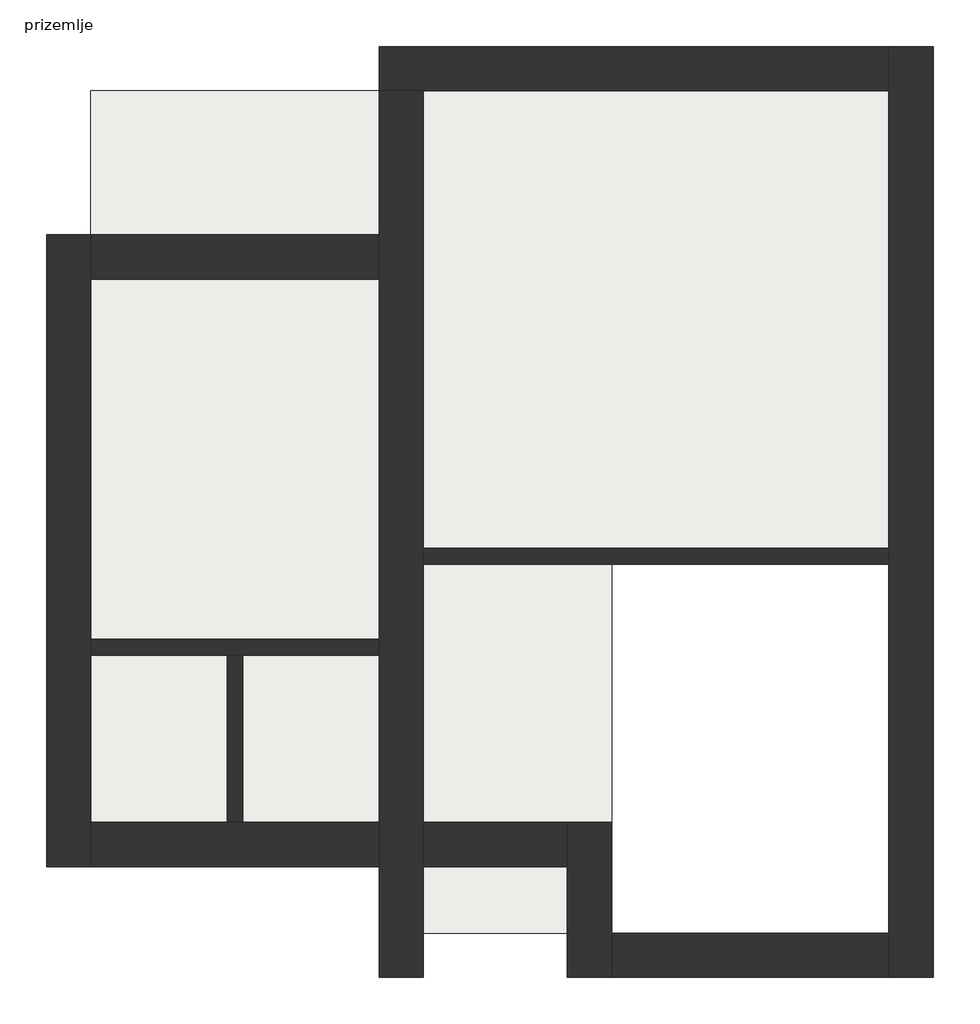
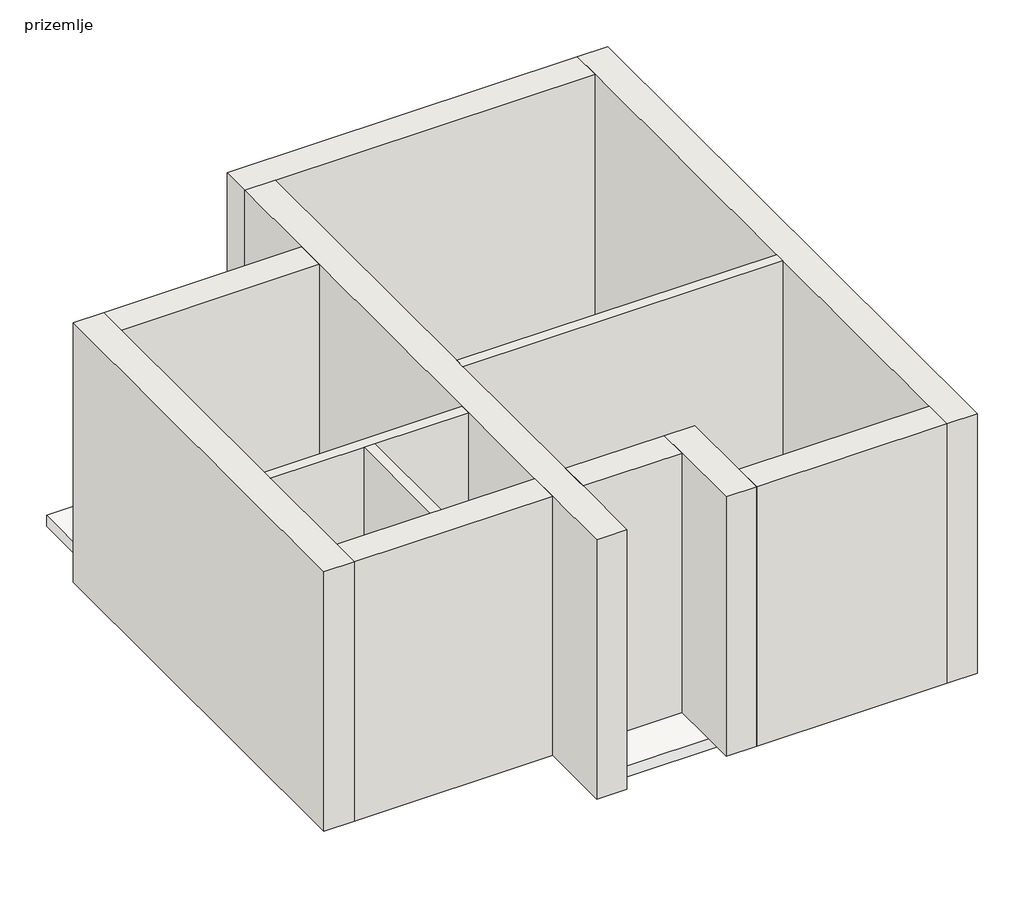
# One storey: 12 walls, 1 slab.
"""IFC4 building model written with IfcOpenShell, lengths in millimetres."""

from ifc_helpers import new_model, si_unit, frame, origin, origin_with_axes, place, context, project, spatial, polyline, outline, extrude, faceted_brep, element, save

model = new_model("IFC4")

# Units and contexts
model_context = context("Model", 3, world=origin())
ifc_project = project(units=[si_unit("LENGTHUNIT", "METRE", prefix="MILLI")], contexts=[model_context])

# Site, building, storey
site = spatial("IfcSite", under=ifc_project)
building = spatial("IfcBuilding", under=site)
storey = spatial("IfcBuildingStorey", under=building, Name="prizemlje", Elevation=0.0)

# Slab
placement = place(None, origin())
element("IfcSlab", 1, ObjectType="Concrete Slab - 6\"", at=placement, inside=storey, context=model_context, shape_type="SweptSolid", body=[
    extrude(outline(polyline([(9429.49375, 8078.8148516), (14029.49375, 8078.8148516), (14029.49375, 3878.8148516), (11529.49375, 3878.8148516), (11529.49375, 478.8148516), (9829.49375, 478.8148516), (9829.49375, 1478.8148516), (6829.49375, 1478.8148516), (6829.49375, 8078.8148516), (9429.49375, 8078.8148516)])), frame((0.0, 0.0, -152.4), z_axis=(0.0, 0.0, 1.0), x_axis=(1.0, 0.0, 0.0)), (0.0, 0.0, 1.0), 152.4),
])

# Walls
element("IfcWall", 2, at=placement, inside=storey, context=model_context, shape_type="Brep", body=[
    faceted_brep([(6429.49375, 6778.8148516, 0.0), (6429.49375, 1078.8148516, 0.0), (6429.49375, 1078.8148516, 3600.0), (6429.49375, 6778.8148516, 3600.0), (6829.49375, 6778.8148516, 0.0), (6829.49375, 6778.8148516, 3600.0), (6829.49375, 6378.8148516, 3600.0), (6829.49375, 3130.2523516, 3600.0), (6829.49375, 2987.3773516, 3600.0), (6829.49375, 1478.8148516, 3600.0), (6829.49375, 1078.8148516, 3600.0), (6829.49375, 1078.8148516, 0.0), (6829.49375, 1478.8148516, 0.0), (6829.49375, 2987.3773516, 0.0), (6829.49375, 3130.2523516, 0.0), (6829.49375, 6378.8148516, 0.0)], [[[0, 1, 2, 3]], [[4, 5, 6, 7, 8, 9, 10, 11, 12, 13, 14, 15]], [[1, 0, 4, 15, 14, 13, 12, 11]], [[3, 2, 10, 9, 8, 7, 6, 5]], [[2, 1, 11, 10]], [[0, 3, 5, 4]]]),
])
element("IfcWall", 3, at=placement, inside=storey, context=model_context, shape_type="Brep", body=[
    faceted_brep([(6829.49375, 1078.8148516, 0.0), (9429.49375, 1078.8148516, 0.0), (9429.49375, 1078.8148516, 3600.0), (6829.49375, 1078.8148516, 3600.0), (6829.49375, 1478.8148516, 0.0), (6829.49375, 1478.8148516, 3600.0), (8058.05625, 1478.8148516, 3600.0), (8200.93125, 1478.8148516, 3600.0), (9429.49375, 1478.8148516, 3600.0), (9429.49375, 1478.8148516, 0.0), (8200.93125, 1478.8148516, 0.0), (8058.05625, 1478.8148516, 0.0)], [[[0, 1, 2, 3]], [[4, 5, 6, 7, 8, 9, 10, 11]], [[1, 0, 4, 11, 10, 9]], [[3, 2, 8, 7, 6, 5]], [[0, 3, 5, 4]], [[2, 1, 9, 8]]]),
])
element("IfcWall", 4, at=placement, inside=storey, context=model_context, shape_type="Brep", body=[
    faceted_brep([(9429.49375, 8078.8148516, 0.0), (9429.49375, 6778.8148516, 0.0), (9429.49375, 6378.8148516, 0.0), (9429.49375, 3130.2523516, 0.0), (9429.49375, 2987.3773516, 0.0), (9429.49375, 1478.8148516, 0.0), (9429.49375, 1078.8148516, 0.0), (9429.49375, 78.8148516, 0.0), (9429.49375, 78.8148516, 3600.0), (9429.49375, 1078.8148516, 3600.0), (9429.49375, 1478.8148516, 3600.0), (9429.49375, 2987.3773516, 3600.0), (9429.49375, 3130.2523516, 3600.0), (9429.49375, 6378.8148516, 3600.0), (9429.49375, 6778.8148516, 3600.0), (9429.49375, 8078.8148516, 3600.0), (9829.49375, 8078.8148516, 0.0), (9829.49375, 8078.8148516, 3600.0), (9829.49375, 3950.2523516, 3600.0), (9829.49375, 3807.3773516, 3600.0), (9829.49375, 1478.8148516, 3600.0), (9829.49375, 1078.8148516, 3600.0), (9829.49375, 78.8148516, 3600.0), (9829.49375, 78.8148516, 0.0), (9829.49375, 1078.8148516, 0.0), (9829.49375, 1478.8148516, 0.0), (9829.49375, 3807.3773516, 0.0), (9829.49375, 3950.2523516, 0.0)], [[[0, 1, 2, 3, 4, 5, 6, 7, 8, 9, 10, 11, 12, 13, 14, 15]], [[16, 17, 18, 19, 20, 21, 22, 23, 24, 25, 26, 27]], [[7, 6, 5, 4, 3, 2, 1, 0, 16, 27, 26, 25, 24, 23]], [[8, 7, 23, 22]], [[15, 14, 13, 12, 11, 10, 9, 8, 22, 21, 20, 19, 18, 17]], [[0, 15, 17, 16]]]),
])
element("IfcWall", 5, at=placement, inside=storey, context=model_context, shape_type="Brep", body=[
    faceted_brep([(14429.49375, 78.8148516, 0.0), (14429.49375, 8478.8148516, 0.0), (14429.49375, 8478.8148516, 3600.0), (14429.49375, 78.8148516, 3600.0), (14029.49375, 78.8148516, 0.0), (14029.49375, 78.8148516, 3600.0), (14029.49375, 478.8148516, 3600.0), (14029.49375, 3807.3773516, 3600.0), (14029.49375, 3950.2523516, 3600.0), (14029.49375, 8078.8148516, 3600.0), (14029.49375, 8478.8148516, 3600.0), (14029.49375, 8478.8148516, 0.0), (14029.49375, 8078.8148516, 0.0), (14029.49375, 3950.2523516, 0.0), (14029.49375, 3807.3773516, 0.0), (14029.49375, 478.8148516, 0.0)], [[[0, 1, 2, 3]], [[4, 5, 6, 7, 8, 9, 10, 11, 12, 13, 14, 15]], [[1, 0, 4, 15, 14, 13, 12, 11]], [[3, 2, 10, 9, 8, 7, 6, 5]], [[2, 1, 11, 10]], [[0, 3, 5, 4]]]),
])
element("IfcWall", 6, at=placement, inside=storey, context=model_context, shape_type="Brep", body=[
    faceted_brep([(14029.49375, 8478.8148516, 0.0), (9429.49375, 8478.8148516, 0.0), (9429.49375, 8478.8148516, 3600.0), (14029.49375, 8478.8148516, 3600.0), (14029.49375, 8078.8148516, 0.0), (14029.49375, 8078.8148516, 3600.0), (9829.49375, 8078.8148516, 3600.0), (9429.49375, 8078.8148516, 3600.0), (9429.49375, 8078.8148516, 0.0), (9829.49375, 8078.8148516, 0.0)], [[[0, 1, 2, 3]], [[4, 5, 6, 7, 8, 9]], [[1, 0, 4, 9, 8]], [[3, 2, 7, 6, 5]], [[0, 3, 5, 4]], [[2, 1, 8, 7]]]),
])
element("IfcWall", 7, at=placement, inside=storey, context=model_context, shape_type="SweptSolid", body=[
    extrude(outline(polyline([(6829.49375, 6778.8148516), (9429.49375, 6778.8148516), (9429.49375, 6378.8148516), (6829.49375, 6378.8148516), (6829.49375, 6778.8148516)])), origin_with_axes(), (0.0, 0.0, 1.0), 3600.0),
])
element("IfcWall", 8, at=placement, inside=storey, context=model_context, shape_type="SweptSolid", body=[
    extrude(outline(polyline([(11129.49375, 1078.8148516), (9829.49375, 1078.8148516), (9829.49375, 1478.8148516), (11129.49375, 1478.8148516), (11129.49375, 1078.8148516)])), origin_with_axes(), (0.0, 0.0, 1.0), 3600.0),
])
element("IfcWall", 9, at=placement, inside=storey, context=model_context, shape_type="Brep", body=[
    faceted_brep([(11129.49375, 1478.8148516, 0.0), (11129.49375, 1078.8148516, 0.0), (11129.49375, 78.8148516, 0.0), (11129.49375, 78.8148516, 3600.0), (11129.49375, 1078.8148516, 3600.0), (11129.49375, 1478.8148516, 3600.0), (11529.49375, 1478.8148516, 0.0), (11529.49375, 1478.8148516, 3600.0), (11529.49375, 478.8148516, 3600.0), (11529.49375, 78.8148516, 3600.0), (11529.49375, 78.8148516, 0.0), (11529.49375, 478.8148516, 0.0)], [[[0, 1, 2, 3, 4, 5]], [[6, 7, 8, 9, 10, 11]], [[2, 1, 0, 6, 11, 10]], [[5, 4, 3, 9, 8, 7]], [[0, 5, 7, 6]], [[3, 2, 10, 9]]]),
])
element("IfcWall", 10, at=placement, inside=storey, context=model_context, shape_type="SweptSolid", body=[
    extrude(outline(polyline([(14029.49375, 78.8148516), (11529.49375, 78.8148516), (11529.49375, 478.8148516), (14029.49375, 478.8148516), (14029.49375, 78.8148516)])), origin_with_axes(), (0.0, 0.0, 1.0), 3600.0),
])
element("IfcWall", 11, ObjectType="Generic - 6\" Masonry", at=placement, inside=storey, context=model_context, shape_type="SweptSolid", body=[
    extrude(outline(polyline([(9829.49375, 3950.2523516), (14029.49375, 3950.2523516), (14029.49375, 3807.3773516), (9829.49375, 3807.3773516), (9829.49375, 3950.2523516)])), origin_with_axes(), (0.0, 0.0, 1.0), 3600.0),
])
element("IfcWall", 12, ObjectType="Generic - 6\" Masonry", at=placement, inside=storey, context=model_context, shape_type="Brep", body=[
    faceted_brep([(9429.49375, 3130.2523516, 0.0), (6829.49375, 3130.2523516, 0.0), (6829.49375, 3130.2523516, 3600.0), (9429.49375, 3130.2523516, 3600.0), (9429.49375, 2987.3773516, 0.0), (9429.49375, 2987.3773516, 3600.0), (8200.93125, 2987.3773516, 3600.0), (8058.05625, 2987.3773516, 3600.0), (6829.49375, 2987.3773516, 3600.0), (6829.49375, 2987.3773516, 0.0), (8058.05625, 2987.3773516, 0.0), (8200.93125, 2987.3773516, 0.0)], [[[0, 1, 2, 3]], [[4, 5, 6, 7, 8, 9, 10, 11]], [[1, 0, 4, 11, 10, 9]], [[3, 2, 8, 7, 6, 5]], [[2, 1, 9, 8]], [[0, 3, 5, 4]]]),
])
element("IfcWall", 13, ObjectType="Generic - 6\" Masonry", at=placement, inside=storey, context=model_context, shape_type="SweptSolid", body=[
    extrude(outline(polyline([(8058.05625, 1478.8148516), (8058.05625, 2987.3773516), (8200.93125, 2987.3773516), (8200.93125, 1478.8148516), (8058.05625, 1478.8148516)])), origin_with_axes(), (0.0, 0.0, 1.0), 3600.0),
])

save(model, "model.ifc")
